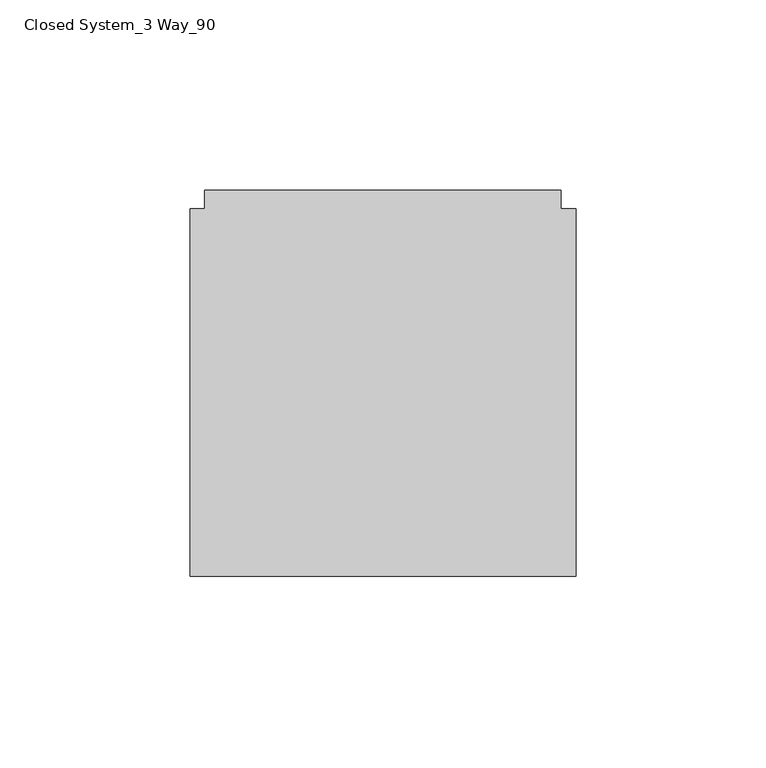
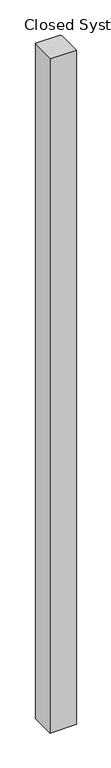
"""IFC4 building model written with IfcOpenShell, lengths in millimetres: furniture geometry, Closed System_3 Way_90."""

from ifc_helpers import new_model, si_unit, origin, origin_with_axes, place, context, project, spatial, polyline, outline, extrude, source, transform, mapped, element, save


def closed_system_3_way_90_fd8de49b(model_context):
    return source(origin(), model_context, "Body", "SweptSolid", [
        extrude(outline(polyline([(29.9771531, -74.4019705), (29.9771531, 22.2450295), (33.9141531, 22.2450295), (33.9141531, 27.1980295), (127.6401531, 27.1980295), (127.6401531, 22.2450295), (131.5771531, 22.2450295), (131.5771531, -74.4019705), (29.9771531, -74.4019705)])), origin_with_axes(), (0.0, 0.0, 1.0), 2743.2),
    ])


if __name__ == "__main__":
    model = new_model("IFC4")
    model_context = context("Model", 3, world=origin())
    ifc_project = project(units=[si_unit("LENGTHUNIT", "METRE", prefix="MILLI")], contexts=[model_context])
    site = spatial("IfcSite", under=ifc_project)
    building = spatial("IfcBuilding", under=site)
    placement = place(None, origin())
    closed_system_3_way_90_shape = closed_system_3_way_90_fd8de49b(model_context)
    element("IfcFurniture", 1, ObjectType="Closed System_3 Way_90", at=placement, inside=building, context=model_context, shape_type="MappedRepresentation", body=[
        mapped(closed_system_3_way_90_shape, transform((0.0, 0.0, 0.0), x_axis=(1.0, 0.0, 0.0), y_axis=(0.0, 1.0, 0.0), z_axis=(0.0, 0.0, 1.0))),
    ])
    save(model, "model.ifc")
